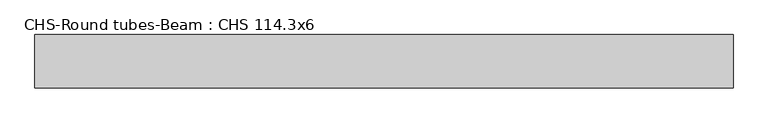
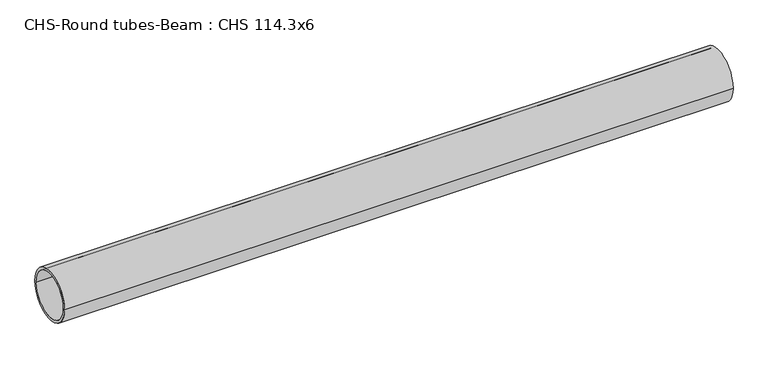
"""IFC4 building model written with IfcOpenShell, lengths in millimetres: beam geometry, CHS-Round tubes-Beam : CHS 114.3x6."""

from ifc_helpers import new_model, si_unit, point, frame, origin, origin_2d, place, context, project, spatial, circle_curve, trimmed, segment, composite_curve, outline, extrude, source, transform, mapped, element, save


def chs_round_tubes_beam_chs_114_3x6_80c60e57(model_context):
    return source(origin(), model_context, "Body", "SweptSolid", [
        extrude(outline(composite_curve([segment(trimmed(circle_curve(origin_2d(), 57.15), [point((57.15, 0.0))], [point((-57.15, 0.0))], False, "CARTESIAN"), True, "CONTINUOUS"), segment(trimmed(circle_curve(origin_2d(), 57.15), [point((-57.15, 0.0))], [point((57.15, 0.0))], False, "CARTESIAN"), True, "CONTINUOUS")], self_intersect=False), holes=[composite_curve([segment(trimmed(circle_curve(origin_2d(), 51.15), [point((51.15, 0.0))], [point((-51.15, 0.0))], True, "CARTESIAN"), True, "CONTINUOUS"), segment(trimmed(circle_curve(origin_2d(), 51.15), [point((-51.15, 0.0))], [point((51.15, 0.0))], True, "CARTESIAN"), True, "CONTINUOUS")], self_intersect=False)]), frame((-745.0332846, 0.0, 0.0), z_axis=(1.0, 0.0, 0.0), x_axis=(0.0, 1.0, 0.0)), (0.0, 0.0, 1.0), 1495.337911),
    ])


if __name__ == "__main__":
    model = new_model("IFC4")
    model_context = context("Model", 3, world=origin())
    ifc_project = project(units=[si_unit("LENGTHUNIT", "METRE", prefix="MILLI")], contexts=[model_context])
    site = spatial("IfcSite", under=ifc_project)
    building = spatial("IfcBuilding", under=site)
    placement = place(None, origin())
    chs_round_tubes_beam_chs_114_3x6_shape = chs_round_tubes_beam_chs_114_3x6_80c60e57(model_context)
    element("IfcBeam", 1, ObjectType="CHS-Round tubes-Beam : CHS 114.3x6", at=placement, inside=building, context=model_context, shape_type="MappedRepresentation", body=[
        mapped(chs_round_tubes_beam_chs_114_3x6_shape, transform((0.0, 0.0, 0.0), x_axis=(1.0, 0.0, 0.0), y_axis=(0.0, 1.0, 0.0), z_axis=(0.0, 0.0, 1.0))),
    ])
    save(model, "model.ifc")
